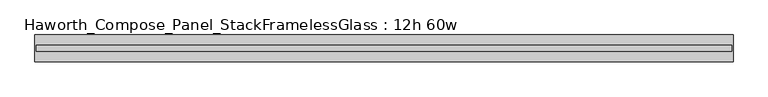
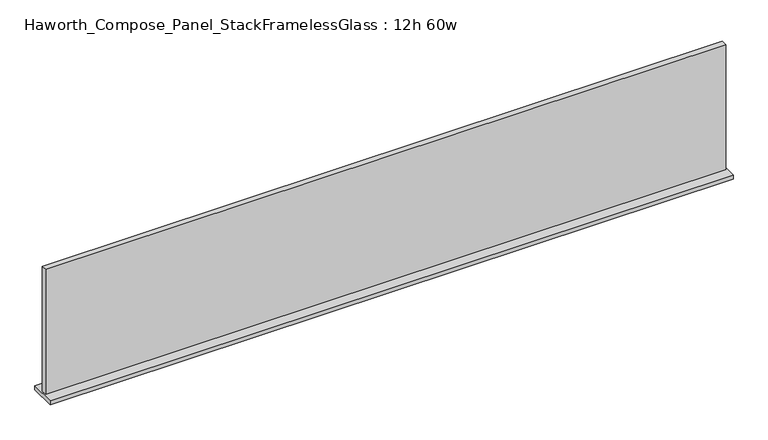
"""IFC4 building model written with IfcOpenShell, lengths in millimetres: furniture geometry, Haworth_Compose_Panel_StackFramelessGlass : 12h 60w."""

from ifc_helpers import new_model, si_unit, frame, origin, place, context, project, spatial, polyline, outline, extrude, source, transform, mapped, element, save


def haworth_compose_panel_stackframelessglass_12h_60w_fcf7e9f4(model_context):
    return source(origin(), model_context, "Body", "SweptSolid", [
        extrude(outline(polyline([(761.2652902, -27.3093594), (-756.3847098, -27.3093594), (-756.3847098, -14.6093594), (761.2652902, -14.6093594), (761.2652902, -27.3093594)])), frame((0.0, 0.0, 1279.525), z_axis=(0.0, 0.0, 1.0), x_axis=(1.0, 0.0, 0.0)), (0.0, 0.0, 1.0), 295.275),
        extrude(outline(polyline([(-759.5597098, -50.3281094), (-759.5597098, 8.4093906), (764.4402902, 8.4093906), (764.4402902, -50.3281094), (-759.5597098, -50.3281094)])), frame((0.0, 0.0, 1270.0), z_axis=(0.0, 0.0, 1.0), x_axis=(1.0, 0.0, 0.0)), (0.0, 0.0, 1.0), 9.525),
    ])


if __name__ == "__main__":
    model = new_model("IFC4")
    model_context = context("Model", 3, world=origin())
    ifc_project = project(units=[si_unit("LENGTHUNIT", "METRE", prefix="MILLI")], contexts=[model_context])
    site = spatial("IfcSite", under=ifc_project)
    building = spatial("IfcBuilding", under=site)
    placement = place(None, origin())
    haworth_compose_panel_stackframelessglass_12h_60w_shape = haworth_compose_panel_stackframelessglass_12h_60w_fcf7e9f4(model_context)
    element("IfcFurniture", 1, ObjectType="Haworth_Compose_Panel_StackFramelessGlass : 12h 60w", at=placement, inside=building, context=model_context, shape_type="MappedRepresentation", body=[
        mapped(haworth_compose_panel_stackframelessglass_12h_60w_shape, transform((0.0, 0.0, 0.0), x_axis=(1.0, 0.0, 0.0), y_axis=(0.0, 1.0, 0.0), z_axis=(0.0, 0.0, 1.0))),
    ])
    save(model, "model.ifc")
